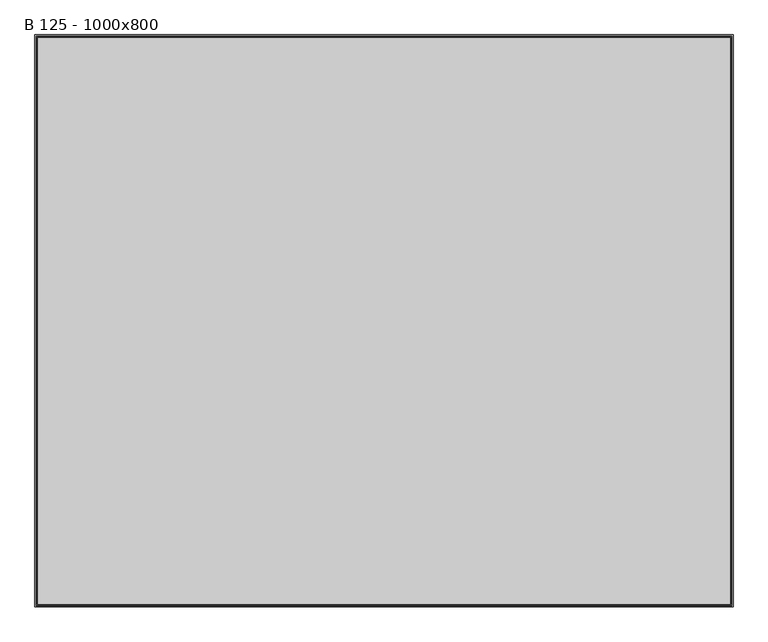
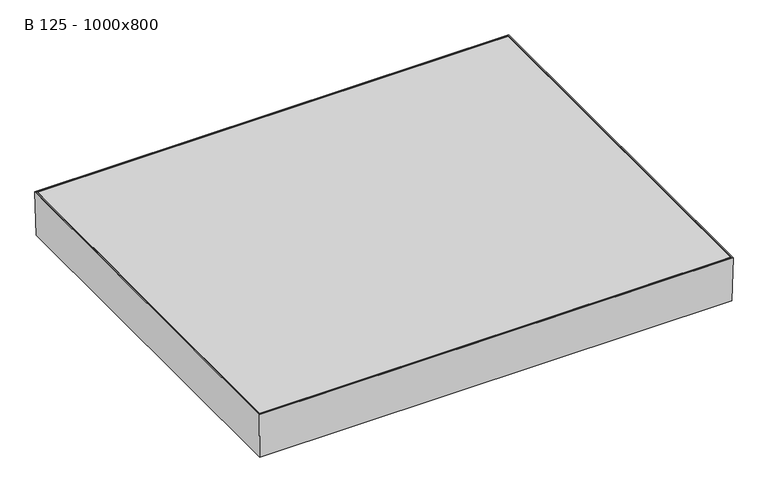
"""IFC4 building model written with IfcOpenShell, lengths in millimetres: proxy geometry, B 125 - 1000x800."""

from ifc_helpers import new_model, si_unit, frame, origin, place, context, project, spatial, polyline, outline, extrude, faceted_brep, source, transform, mapped, element, save


def b_125_1000x800_f79dd427(model_context):
    return source(origin(), model_context, "Body", "SolidModel", [
        extrude(outline(polyline([(551.0, 451.0), (551.0, -451.0), (-551.0, -451.0), (-551.0, 451.0), (551.0, 451.0)])), frame((0.0, 0.0, -5.0), z_axis=(0.0, 0.0, 1.0), x_axis=(1.0, 0.0, 0.0)), (0.0, 0.0, 1.0), 5.0),
        faceted_brep([(548.2666483, 448.2666483, -92.9987834), (-548.2666483, 448.2666483, -92.9987834), (-548.2666483, -448.2666483, -92.9987834), (548.2666483, -448.2666483, -92.9987834), (550.2087117, 450.2087117, -95.0), (550.2087117, -450.2087117, -95.0), (-550.2087117, -450.2087117, -95.0), (-550.2087117, 450.2087117, -95.0), (553.0, 453.0, 0.0), (553.0, -453.0, 0.0), (-553.0, -453.0, 0.0), (-553.0, 453.0, 0.0), (550.9991369, -450.9991369, 0.0), (550.9991369, 450.9991369, 0.0), (-550.9991369, -450.9991369, 0.0), (-550.9991369, 450.9991369, 0.0)], [[[0, 1, 2, 3]], [[4, 5, 6, 7]], [[4, 8, 9, 5]], [[5, 9, 10, 6]], [[6, 10, 11, 7]], [[8, 4, 7, 11]], [[0, 3, 12, 13]], [[3, 2, 14, 12]], [[2, 1, 15, 14]], [[1, 0, 13, 15]], [[9, 8, 11, 10], [13, 12, 14, 15]]]),
        faceted_brep([(552.9224838, 452.9224838, -107.0), (555.0, 455.0, 0.0), (555.0, -455.0, 0.0), (552.9224838, -452.9224838, -107.0), (-555.0, -455.0, 0.0), (-552.9224838, -452.9224838, -107.0), (-555.0, 455.0, 0.0), (-552.9224838, 452.9224838, -107.0), (500.0, 400.0, -107.0), (-500.0, 400.0, -107.0), (-500.0, -400.0, -107.0), (500.0, -400.0, -107.0), (550.960939, 450.960939, -105.0), (-550.960939, 450.960939, -105.0), (-550.960939, -450.960939, -105.0), (550.960939, -450.960939, -105.0), (502.0, -402.0, -105.0), (-502.0, -402.0, -105.0), (-502.0, 402.0, -105.0), (502.0, 402.0, -105.0), (552.9996231, -452.9996231, 0.0), (-552.9996231, -452.9996231, 0.0), (-552.9996231, 452.9996231, 0.0), (552.9996231, 452.9996231, 0.0), (500.0, 400.0, -95.0), (500.0, -400.0, -95.0), (502.0, 402.0, -95.0), (502.0, -402.0, -95.0), (-500.0, -400.0, -95.0), (-502.0, -402.0, -95.0), (-500.0, 400.0, -95.0), (-502.0, 402.0, -95.0)], [[[0, 1, 2, 3]], [[3, 2, 4, 5]], [[5, 4, 6, 7]], [[3, 5, 7, 0], [8, 9, 10, 11]], [[12, 13, 14, 15], [16, 17, 18, 19]], [[1, 6, 4, 2], [20, 21, 22, 23]], [[7, 6, 1, 0]], [[24, 8, 11, 25]], [[19, 26, 27, 16]], [[25, 11, 10, 28]], [[16, 27, 29, 17]], [[28, 10, 9, 30]], [[17, 29, 31, 18]], [[30, 9, 8, 24]], [[26, 31, 29, 27], [25, 28, 30, 24]], [[18, 31, 26, 19]], [[23, 12, 15, 20]], [[20, 15, 14, 21]], [[21, 14, 13, 22]], [[22, 13, 12, 23]]]),
    ])


if __name__ == "__main__":
    model = new_model("IFC4")
    model_context = context("Model", 3, world=origin())
    ifc_project = project(units=[si_unit("LENGTHUNIT", "METRE", prefix="MILLI")], contexts=[model_context])
    site = spatial("IfcSite", under=ifc_project)
    building = spatial("IfcBuilding", under=site)
    placement = place(None, origin())
    b_125_1000x800_shape = b_125_1000x800_f79dd427(model_context)
    element("IfcBuildingElementProxy", 1, Name="B 125 - 1000x800", ObjectType="B 125 - 1000x800", at=placement, inside=building, context=model_context, shape_type="MappedRepresentation", body=[
        mapped(b_125_1000x800_shape, transform((0.0, 0.0, 0.0), x_axis=(1.0, 0.0, 0.0), y_axis=(0.0, 1.0, 0.0), z_axis=(0.0, 0.0, 1.0))),
    ])
    save(model, "model.ifc")
